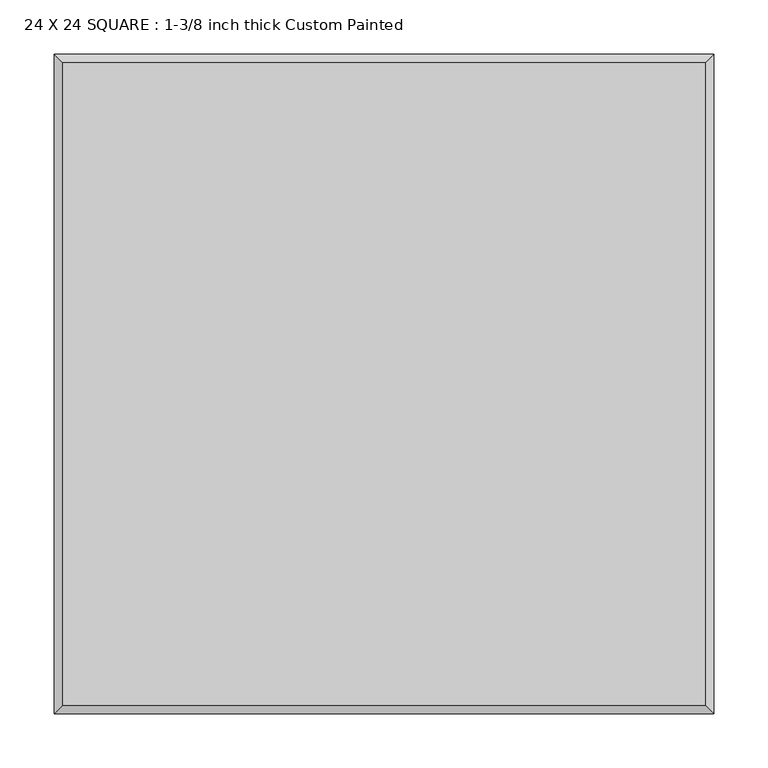
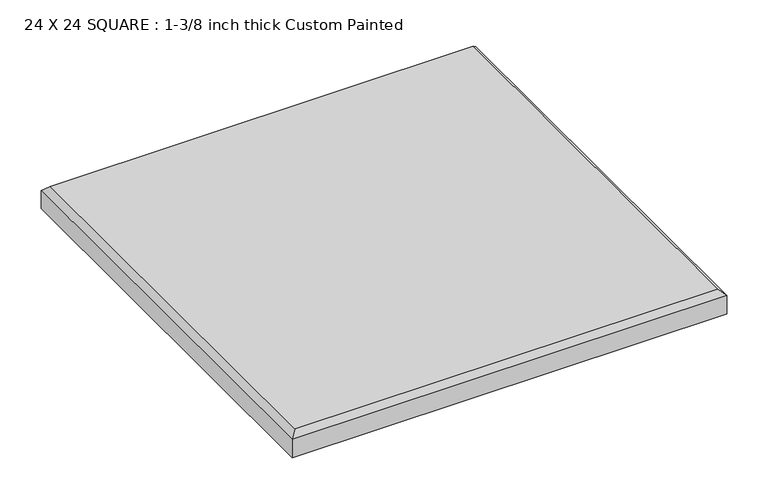
"""IFC4 building model written with IfcOpenShell, lengths in millimetres: proxy geometry, 24 X 24 SQUARE : 1-3/8 inch thick Custom Painted."""

import ifcopenshell
import ifcopenshell.guid

model = None  # the IFC model being written
_history = None  # IfcOwnerHistory: only IFC2X3 demands one
_inside = {}  # id of a spatial element -> (the spatial element, [elements in it])
_under = {}  # id of a project, library or spatial element -> (it, [spatial elements below it])
_declared = {}  # id of a project -> (the project, [libraries it declares])
_typed = {}  # id of a type object -> (the type object, [elements of that type])
_made_of = {}  # id of a material, layer set ... -> (it, [elements and type objects made of it])


def new_model(schema):
    """Start an empty IFC model of exactly this schema.

    Asked for "IFC4X3", IfcOpenShell would pick the latest addendum, in which some entities
    have other attributes; the version numbers below select the first issue.
    IFC2X3 requires an IfcOwnerHistory on every rooted entity: one is made here for all.
    """
    global model, _history
    if schema == "IFC4X3":
        model = ifcopenshell.file(schema_version=(4, 3, 0, 0))
    else:
        model = ifcopenshell.file(schema=schema)
    _inside.clear()
    _under.clear()
    _declared.clear()
    _typed.clear()
    _made_of.clear()
    _history = None
    if model.schema == "IFC2X3":
        org = make("IfcOrganization", Name="unknown")
        user = make(
            "IfcPersonAndOrganization",
            ThePerson=make("IfcPerson", FamilyName="unknown"),
            TheOrganization=org,
        )
        app = make(
            "IfcApplication",
            ApplicationDeveloper=org,
            Version="unknown",
            ApplicationFullName="unknown",
            ApplicationIdentifier="unknown",
        )
        _history = make(
            "IfcOwnerHistory",
            OwningUser=user,
            OwningApplication=app,
            ChangeAction="ADDED",
            CreationDate=0,
        )
    return model


def make(cls, **values):
    """One entity of the class cls with the attributes given. An attribute that is None is left unset."""
    return model.create_entity(
        cls, **{name: value for name, value in values.items() if value is not None}
    )


def rooted(cls, **values):
    """An entity with a GlobalId (a new one), such as an element, a storey or a relation."""
    return make(cls, GlobalId=ifcopenshell.guid.new(), OwnerHistory=_history, **values)


def si_unit(unit_type, name, prefix=None):
    """IfcSIUnit, for example si_unit("LENGTHUNIT", "METRE", prefix="MILLI")."""
    return make("IfcSIUnit", UnitType=unit_type, Prefix=prefix, Name=name)


def assignment(units):
    """IfcUnitAssignment: the units of a project."""
    return None if units is None else make("IfcUnitAssignment", Units=units)


def point(xyz):
    """IfcCartesianPoint."""
    return None if xyz is None else make("IfcCartesianPoint", Coordinates=xyz)


def direction(xyz):
    """IfcDirection."""
    return None if xyz is None else make("IfcDirection", DirectionRatios=xyz)


def frame(location, z_axis=None, x_axis=None):
    """IfcAxis2Placement3D, a coordinate frame: its origin and axes. An axis left out is left unset."""
    return make(
        "IfcAxis2Placement3D",
        Location=point(location),
        Axis=direction(z_axis),
        RefDirection=direction(x_axis),
    )


def origin():
    """The frame at (0, 0, 0) with its axes left unset."""
    return frame((0.0, 0.0, 0.0))


def place(relative_to, where):
    """IfcLocalPlacement: puts the frame where relative to a parent placement (None: the world)."""
    return make(
        "IfcLocalPlacement", PlacementRelTo=relative_to, RelativePlacement=where
    )


def context(
    kind, dimensions, precision=None, world=None, true_north=None, identifier=None
):
    """IfcGeometricRepresentationContext, for example the 3D "Model" context."""
    return make(
        "IfcGeometricRepresentationContext",
        ContextIdentifier=identifier,
        ContextType=kind,
        CoordinateSpaceDimension=dimensions,
        Precision=precision,
        WorldCoordinateSystem=world,
        TrueNorth=true_north,
    )


def project(units=None, contexts=None):
    """IfcProject with its units and contexts."""
    return rooted(
        "IfcProject",
        Name="project",
        RepresentationContexts=contexts,
        UnitsInContext=assignment(units),
    )


def spatial(cls, under=None, at=None, **own):
    """A site, building, storey or space (cls), placed at a placement, below another one or the project."""
    s = rooted(cls, ObjectPlacement=at, **own)
    if under is not None:
        _under.setdefault(under.id(), (under, []))[1].append(s)
    return s


def faces_of(points, faces, orient=None, outer=None):
    """IfcFace entities. A face is a list of loops; a loop is a list of indices into points, from 0.

    orient and outer hold one flag for each loop. By default every Orientation is true, the
    first loop of a face is its IfcFaceOuterBound and the others are IfcFaceBound.
    """
    made = []
    for i, loops in enumerate(faces):
        bounds = []
        for j, loop in enumerate(loops):
            is_outer = j == 0 if outer is None else outer[i][j]
            bounds.append(
                make(
                    "IfcFaceOuterBound" if is_outer else "IfcFaceBound",
                    Bound=make("IfcPolyLoop", Polygon=[points[k] for k in loop]),
                    Orientation=True if orient is None else orient[i][j],
                )
            )
        made.append(make("IfcFace", Bounds=bounds))
    return made


def faceted_brep(points, faces, orient=None, outer=None, voids=None):
    """IfcFacetedBrep: a solid bounded by flat faces; with voids (closed shells), ...WithVoids."""
    shared = [point(p) for p in points]
    hull = make("IfcClosedShell", CfsFaces=faces_of(shared, faces, orient, outer))
    if voids is None:
        return make("IfcFacetedBrep", Outer=hull)
    return make(
        "IfcFacetedBrepWithVoids",
        Outer=hull,
        Voids=[
            make(cls, CfsFaces=faces_of(shared, fs, o, b)) for cls, fs, o, b in voids
        ],
    )


def shape(context_of_items, identifier, shape_type, items):
    """IfcShapeRepresentation: the items that make up one representation, for example the "Body"."""
    return make(
        "IfcShapeRepresentation",
        ContextOfItems=context_of_items,
        RepresentationIdentifier=identifier,
        RepresentationType=shape_type,
        Items=items,
    )


def source(mapping_origin, context_of_items, identifier, shape_type, items):
    """IfcRepresentationMap: a shape defined once, which mapped items show again and again."""
    return make(
        "IfcRepresentationMap",
        MappingOrigin=mapping_origin,
        MappedRepresentation=shape(context_of_items, identifier, shape_type, items),
    )


def transform(
    local_origin,
    x_axis=None,
    y_axis=None,
    z_axis=None,
    scale=None,
    scale2=None,
    scale3=None,
    uniform=True,
):
    """IfcCartesianTransformationOperator3D, or its non-uniform kind. x_axis, y_axis, z_axis: its Axis1, 2, 3."""
    if uniform:
        return make(
            "IfcCartesianTransformationOperator3D",
            Axis1=direction(x_axis),
            Axis2=direction(y_axis),
            LocalOrigin=point(local_origin),
            Scale=scale,
            Axis3=direction(z_axis),
        )
    return make(
        "IfcCartesianTransformationOperator3DnonUniform",
        Axis1=direction(x_axis),
        Axis2=direction(y_axis),
        LocalOrigin=point(local_origin),
        Scale=scale,
        Axis3=direction(z_axis),
        Scale2=scale2,
        Scale3=scale3,
    )


def mapped(mapping_source, mapping_target):
    """IfcMappedItem: shows the shape of a source again, moved by a transform."""
    return make(
        "IfcMappedItem", MappingSource=mapping_source, MappingTarget=mapping_target
    )


def made_of(thing, what):
    """Note that an element or type object is made of a material, layer set ...; save() writes the relation."""
    if what is not None:
        _made_of.setdefault(what.id(), (what, []))[1].append(thing)
    return thing


def element(
    cls,
    number,
    at=None,
    inside=None,
    cuts=None,
    type_object=None,
    material=None,
    context=None,
    identifier="Body",
    shape_type=None,
    held_by="IfcProductDefinitionShape",
    body=None,
    shapes=None,
    **own,
):
    """One element of the class cls, such as IfcWall. Its Tag is "e" and its number.

    at: its placement. inside: the storey or other place that contains it. cuts: it is an
    opening in that element (IfcRelVoidsElement). A single representation is given by context,
    identifier, shape_type and body (its items); several are given by shapes. held_by: the class
    of the entity that holds the representations. save() writes the other relations.
    """
    e = rooted(cls, Tag="e%d" % number, ObjectPlacement=at, **own)
    if body is not None:
        shapes = [shape(context, identifier, shape_type, body)]
    if shapes is not None:
        e.Representation = make(held_by, Representations=shapes)
    if inside is not None:
        _inside.setdefault(inside.id(), (inside, []))[1].append(e)
    if cuts is not None:
        rooted(
            "IfcRelVoidsElement", RelatingBuildingElement=cuts, RelatedOpeningElement=e
        )
    if type_object is not None:
        _typed.setdefault(type_object.id(), (type_object, []))[1].append(e)
    return made_of(e, material)


def aggregate(whole, parts):
    """IfcRelAggregates: a whole, such as a stair, and the parts it consists of."""
    return rooted("IfcRelAggregates", RelatingObject=whole, RelatedObjects=parts)


def save(model, path):
    """Write the relations noted so far, then the file.

    IfcRelAggregates (storeys below a building ...), IfcRelContainedInSpatialStructure (elements
    in a storey), IfcRelDefinesByType, IfcRelAssociatesMaterial and IfcRelDeclares: one each for
    every whole, place, type object, material and project.
    """
    for whole, parts in _under.values():
        aggregate(whole, parts)
    for where, things in _inside.values():
        rooted(
            "IfcRelContainedInSpatialStructure",
            RelatedElements=things,
            RelatingStructure=where,
        )
    for kind, things in _typed.values():
        rooted("IfcRelDefinesByType", RelatedObjects=things, RelatingType=kind)
    for what, things in _made_of.values():
        rooted("IfcRelAssociatesMaterial", RelatedObjects=things, RelatingMaterial=what)
    for by, libraries in _declared.values():
        rooted("IfcRelDeclares", RelatingContext=by, RelatedDefinitions=libraries)
    model.write(path)


def proxy_24_x_24_square_1_3_8_inch_thick_custom_painted_c658ae8c(model_context):
    return source(origin(), model_context, "Body", "Brep", [
        faceted_brep([(296.799, 296.799, 34.925), (-296.799, 296.799, 34.925), (-296.799, -296.799, 34.925), (296.799, -296.799, 34.925), (-304.8, 304.8, 0.0), (304.8, 304.8, 0.0), (304.8, -304.8, 0.0), (-304.8, -304.8, 0.0), (-304.8, -304.8, 26.924), (-304.8, 304.8, 26.924), (304.8, -304.8, 26.924), (304.8, 304.8, 26.924)], [[[0, 1, 2, 3]], [[4, 5, 6, 7]], [[4, 7, 8, 9]], [[7, 6, 10, 8]], [[6, 5, 11, 10]], [[5, 4, 9, 11]], [[9, 1, 0, 11]], [[1, 9, 8, 2]], [[2, 8, 10, 3]], [[11, 0, 3, 10]]]),
    ])


if __name__ == "__main__":
    model = new_model("IFC4")
    model_context = context("Model", 3, world=origin())
    ifc_project = project(units=[si_unit("LENGTHUNIT", "METRE", prefix="MILLI")], contexts=[model_context])
    site = spatial("IfcSite", under=ifc_project)
    building = spatial("IfcBuilding", under=site)
    placement = place(None, origin())
    proxy_24_x_24_square_1_3_8_inch_thick_custom_painted_shape = proxy_24_x_24_square_1_3_8_inch_thick_custom_painted_c658ae8c(model_context)
    element("IfcBuildingElementProxy", 1, Name="24 X 24 SQUARE : 1-3/8 inch thick Custom Painted", ObjectType="24 X 24 SQUARE : 1-3/8 inch thick Custom Painted", at=placement, inside=building, context=model_context, shape_type="MappedRepresentation", body=[
        mapped(proxy_24_x_24_square_1_3_8_inch_thick_custom_painted_shape, transform((0.0, 0.0, 0.0), x_axis=(1.0, 0.0, 0.0), y_axis=(0.0, 1.0, 0.0), z_axis=(0.0, 0.0, 1.0))),
    ])
    save(model, "model.ifc")
